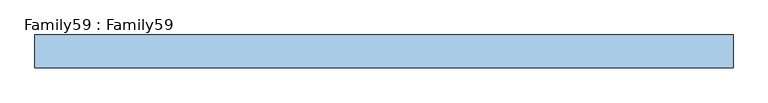
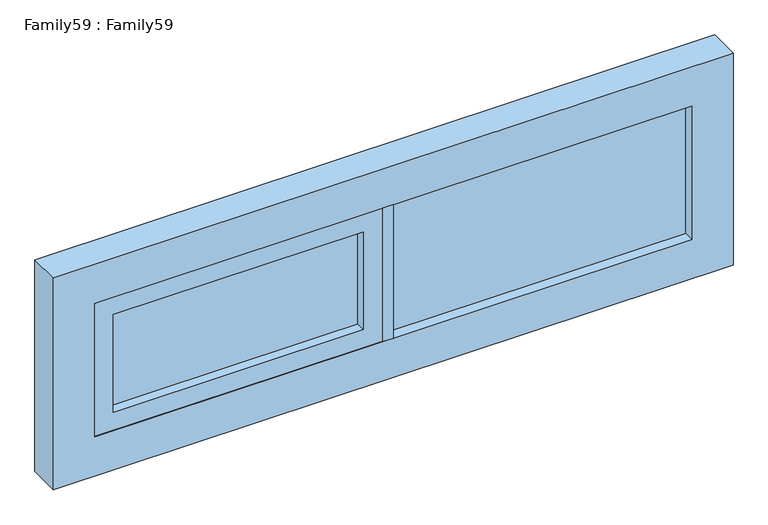
"""IFC4 building model written with IfcOpenShell, lengths in millimetres: window geometry, Family59 : Family59."""

from ifc_helpers import new_model, si_unit, frame, origin, place, context, project, spatial, polyline, outline, extrude, source, transform, mapped, element, save


def family59_family59_a82d94dc(model_context):
    return source(origin(), model_context, "Body", "SweptSolid", [
        extrude(outline(polyline([(786.0, 14.0), (786.0, 10.0), (0.0, 10.0), (0.0, 14.0), (786.0, 14.0)])), frame((0.0, 0.0, 909.0), z_axis=(0.0, 0.0, 1.0), x_axis=(1.0, 0.0, 0.0)), (0.0, 0.0, 1.0), 372.0),
        extrude(outline(polyline([(0.0, -10.0), (786.0, -10.0), (786.0, -14.0), (0.0, -14.0), (0.0, -10.0)])), frame((0.0, 0.0, 909.0), z_axis=(0.0, 0.0, 1.0), x_axis=(1.0, 0.0, 0.0)), (0.0, 0.0, 1.0), 372.0),
        extrude(outline(polyline([(-77.4945996, 14.0), (-77.4945996, 10.0), (-736.0, 10.0), (-736.0, 14.0), (-77.4945996, 14.0)])), frame((0.0, 0.0, 959.0), z_axis=(0.0, 0.0, 1.0), x_axis=(1.0, 0.0, 0.0)), (0.0, 0.0, 1.0), 272.0),
        extrude(outline(polyline([(-77.4945996, -10.0), (-77.4945996, -14.0), (-736.0, -14.0), (-736.0, -10.0), (-77.4945996, -10.0)])), frame((0.0, 0.0, 959.0), z_axis=(0.0, 0.0, 1.0), x_axis=(1.0, 0.0, 0.0)), (0.0, 0.0, 1.0), 272.0),
        extrude(outline(polyline([(0.0, -42.0), (-27.4945996, -42.0), (-27.4945996, 42.0), (0.0, 42.0), (0.0, -42.0)])), frame((0.0, 0.0, 909.0), z_axis=(0.0, 0.0, 1.0), x_axis=(1.0, 0.0, 0.0)), (0.0, 0.0, 1.0), 372.0),
        extrude(outline(polyline([(1281.0, -27.4945996), (1281.0, -786.0), (909.0, -786.0), (909.0, -27.4945996), (1281.0, -27.4945996)]), holes=[polyline([(1231.0, -77.4945996), (959.0, -77.4945996), (959.0, -736.0), (1231.0, -736.0), (1231.0, -77.4945996)])]), frame((0.0, -40.0, 0.0), z_axis=(0.0, 1.0, 0.0), x_axis=(0.0, 0.0, 1.0)), (0.0, 0.0, 1.0), 80.0),
        extrude(outline(polyline([(1390.0, 895.0), (1390.0, -895.0), (800.0, -895.0), (800.0, 895.0), (1390.0, 895.0)]), holes=[polyline([(909.0, 786.0), (909.0, -786.0), (1281.0, -786.0), (1281.0, 786.0), (909.0, 786.0)])]), frame((0.0, -42.0, 0.0), z_axis=(0.0, 1.0, 0.0), x_axis=(0.0, 0.0, 1.0)), (0.0, 0.0, 1.0), 84.0),
    ])


if __name__ == "__main__":
    model = new_model("IFC4")
    model_context = context("Model", 3, world=origin())
    ifc_project = project(units=[si_unit("LENGTHUNIT", "METRE", prefix="MILLI")], contexts=[model_context])
    site = spatial("IfcSite", under=ifc_project)
    building = spatial("IfcBuilding", under=site)
    placement = place(None, origin())
    family59_family59_shape = family59_family59_a82d94dc(model_context)
    element("IfcWindow", 1, ObjectType="Family59 : Family59", at=placement, inside=building, context=model_context, shape_type="MappedRepresentation", body=[
        mapped(family59_family59_shape, transform((0.0, 0.0, 0.0), x_axis=(1.0, 0.0, 0.0), y_axis=(0.0, 1.0, 0.0), z_axis=(0.0, 0.0, 1.0))),
    ])
    save(model, "model.ifc")
